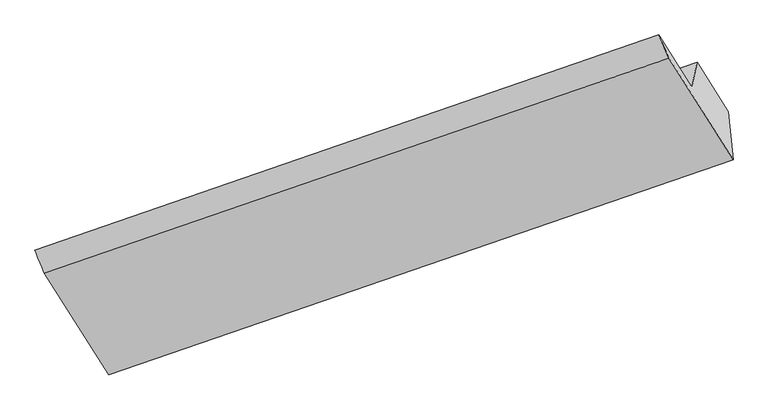
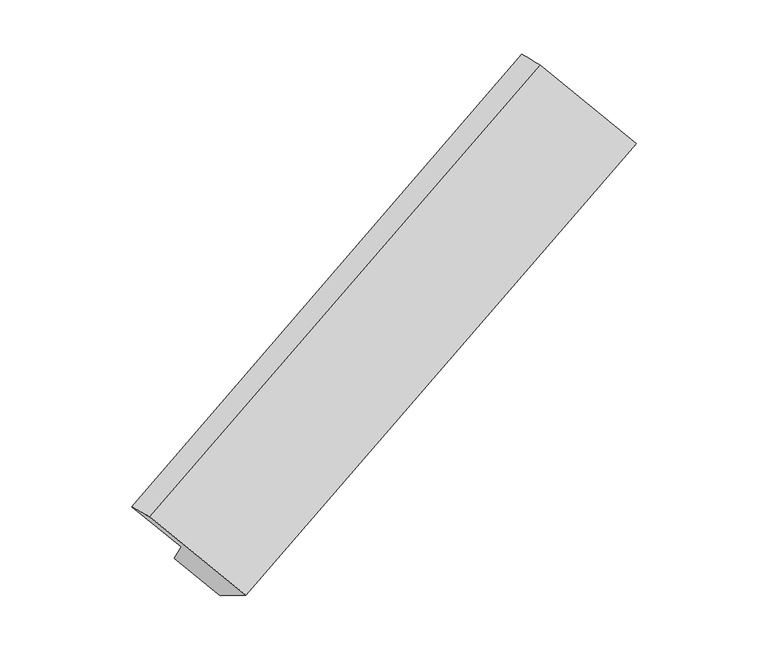
"""IFC4 building model written with IfcOpenShell, lengths in millimetres: proxy geometry."""

from ifc_helpers import new_model, si_unit, frame, origin, place, context, project, spatial, source, transform, mapped, element, save
from ifc_brep_helpers import plane_surface, spline_surface, advanced_brep


def generic_models_f0de7349(model_context):
    return source(origin(), model_context, "Body", "AdvancedBrep", [
        advanced_brep(
        [(-6107.2518595, -2270.6326173, 1071.1013363), (-5494.0653052, -3239.5868725, 431.9214791), (472.2566065, -1182.5480895, 2944.8546806), (-140.9299479, -213.5938343, 3584.0345378), (-6198.7340112, -2050.3076459, 1103.6094432), (-238.3261515, 8.1120747, 3629.3143713), (-5882.1431271, -2550.5829407, 773.5981039), (78.2647325, -492.1632201, 3299.3030319), (-5833.9503326, -2317.993173, 467.240403), (127.7007181, -253.5735195, 2985.0424657), (-5540.6871979, -2781.4060777, 161.5456887), (425.6347137, -724.3672947, 2674.4788902)],
        [
            (0, 1),
            (1, 2),
            (2, 3),
            (3, 0),
            (4, 0),
            (3, 5),
            (5, 4),
            (6, 4),
            (5, 7),
            (7, 6),
            (8, 6),
            (7, 9),
            (9, 8),
            (10, 8),
            (9, 11),
            (11, 10),
            (1, 10),
            (11, 2),
        ],
        [
            plane_surface(frame((-5800.6585824, -2755.1097449, 751.5114077), z_axis=(-0.12560774836527636, -0.6004469469445214, 0.7897380309036717), x_axis=(0.46708609041116594, -0.7380870497447438, -0.48688611722199693))),
            spline_surface(1, 1, [[(-6198.7340112, -2050.3076459, 1103.6094432), (-238.3261515, 8.1120747, 3629.3143713)], [(-6107.2518595, -2270.6326173, 1071.1013363), (-140.9299479, -213.5938343, 3584.0345378)]], [2, 2], [2, 2], [0.0, 1.0], [0.0, 1.0]),
            plane_surface(frame((-6040.4385691, -2300.4452933, 938.6037735), z_axis=(0.12689610831960607, 0.6008993063970572, -0.789187811148192), x_axis=(-0.46708609041116245, 0.7380870497447448, 0.48688611722199887))),
            plane_surface(frame((-5858.0467299, -2434.2880569, 620.4192534), z_axis=(-0.4625692415145469, 0.739667327996198, 0.48879642050614674), x_axis=(-0.12431911060233675, -0.5999932842087865, 0.7902865414793538))),
            plane_surface(frame((-5687.3187653, -2549.6996254, 314.3930459), z_axis=(0.12560774836527305, 0.6004469469445238, -0.7897380309036702), x_axis=(-0.4670860904111701, 0.7380870497447402, 0.48688611722199854))),
            plane_surface(frame((-5517.3762516, -3010.4964751, 296.7335839), z_axis=(0.4706996764369278, -0.4123815517705485, -0.779989275799024), x_axis=(-0.08729921455396757, 0.8579407903692909, -0.5062770460516423))),
            plane_surface(frame((120.7667786, -476.3556472, 3186.1713296), z_axis=(0.8754286623611656, 0.3086026019064863, 0.3720068429654048), x_axis=(-0.12431911060233675, -0.5999932842087865, 0.7902865414793538))),
            plane_surface(frame((-5842.8053056, -2535.0848878, 668.169409), z_axis=(-0.8754286623611822, -0.3086026019065791, -0.37200684296528863), x_axis=(-0.46708609041116594, 0.7380870497447438, 0.48688611722199693))),
        ],
        [
            (0, [[1, 2, 3, 4]]),
            (1, [[5, -4, 6, 7]]),
            (2, [[8, -7, 9, 10]]),
            (3, [[11, -10, 12, 13]]),
            (4, [[14, -13, 15, 16]]),
            (5, [[17, -16, 18, -2]]),
            (6, [[-12, -9, -6, -3, -18, -15]]),
            (7, [[-1, -5, -8, -11, -14, -17]]),
        ],
    ),
    ])


if __name__ == "__main__":
    model = new_model("IFC4")
    model_context = context("Model", 3, world=origin())
    ifc_project = project(units=[si_unit("LENGTHUNIT", "METRE", prefix="MILLI")], contexts=[model_context])
    site = spatial("IfcSite", under=ifc_project)
    building = spatial("IfcBuilding", under=site)
    placement = place(None, origin())
    generic_models_shape = generic_models_f0de7349(model_context)
    element("IfcBuildingElementProxy", 1, Name="Generic Models", at=placement, inside=building, context=model_context, shape_type="MappedRepresentation", body=[
        mapped(generic_models_shape, transform((0.0, 0.0, 0.0), x_axis=(1.0, 0.0, 0.0), y_axis=(0.0, 1.0, 0.0), z_axis=(0.0, 0.0, 1.0))),
    ])
    save(model, "model.ifc")
